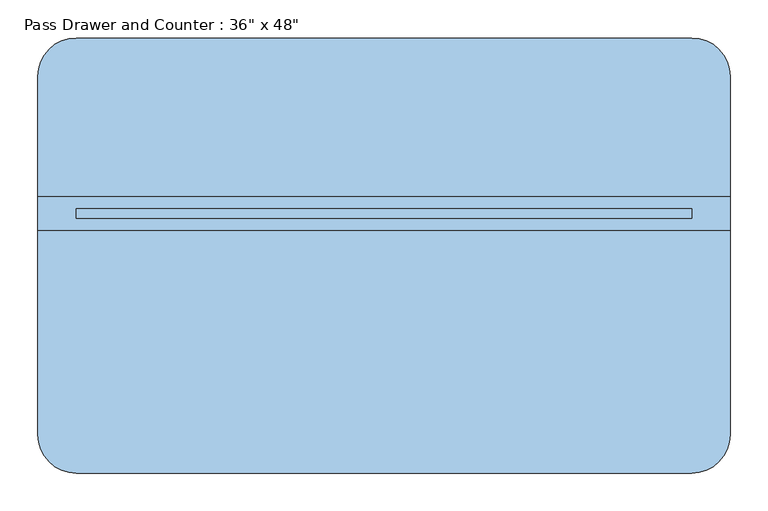
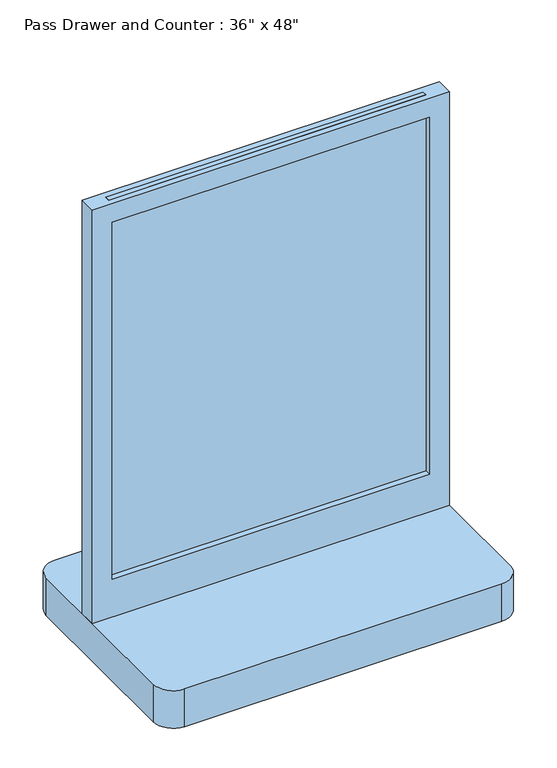
"""IFC4 building model written with IfcOpenShell, lengths in millimetres: window geometry."""

from ifc_helpers import new_model, si_unit, point, frame, frame_2d, origin, place, context, project, spatial, polyline, circle_curve, trimmed, segment, composite_curve, outline, extrude, source, transform, mapped, element, save


def window_59346c3e(model_context):
    return source(origin(), model_context, "Body", "SweptSolid", [
        extrude(outline(polyline([(368.3, 49.2125), (-444.5, 49.2125), (-444.5, 61.9125), (368.3, 61.9125), (368.3, 49.2125)])), frame((0.0, 0.0, 1016.0), z_axis=(0.0, 0.0, 1.0), x_axis=(1.0, 0.0, 0.0)), (0.0, 0.0, 1.0), 1016.0),
        extrude(outline(polyline([(2032.0, -495.3), (914.4, -495.3), (914.4, 419.1), (2032.0, 419.1), (2032.0, -495.3)]), holes=[polyline([(1981.2, -444.5), (1981.2, 368.3), (1016.0, 368.3), (1016.0, -444.5), (1981.2, -444.5)])]), frame((0.0, 33.3375, 0.0), z_axis=(0.0, 1.0, 0.0), x_axis=(0.0, 0.0, 1.0)), (0.0, 0.0, 1.0), 44.45),
        extrude(outline(composite_curve([segment(trimmed(circle_curve(frame_2d((368.3, 236.5375)), 50.8), [point((368.3, 287.3375))], [point((419.1, 236.5375))], False, "CARTESIAN"), True, "CONTINUOUS"), segment(polyline([(419.1, 236.5375), (419.1, -236.5375)]), True, "CONTINUOUS"), segment(trimmed(circle_curve(frame_2d((368.3, -236.5375)), 50.8), [point((419.1, -236.5375))], [point((368.3, -287.3375))], False, "CARTESIAN"), True, "CONTINUOUS"), segment(polyline([(368.3, -287.3375), (-444.5, -287.3375)]), True, "CONTINUOUS"), segment(trimmed(circle_curve(frame_2d((-444.5, -236.5375)), 50.8), [point((-444.5, -287.3375))], [point((-495.3, -236.5375))], False, "CARTESIAN"), True, "CONTINUOUS"), segment(polyline([(-495.3, -236.5375), (-495.3, 236.5375)]), True, "CONTINUOUS"), segment(trimmed(circle_curve(frame_2d((-444.5, 236.5375)), 50.8), [point((-495.3, 236.5375))], [point((-444.5, 287.3375))], False, "CARTESIAN"), True, "CONTINUOUS"), segment(polyline([(-444.5, 287.3375), (368.3, 287.3375)]), True, "CONTINUOUS")], self_intersect=False)), frame((0.0, 0.0, 812.8), z_axis=(0.0, 0.0, 1.0), x_axis=(1.0, 0.0, 0.0)), (0.0, 0.0, 1.0), 101.6),
    ])


if __name__ == "__main__":
    model = new_model("IFC4")
    model_context = context("Model", 3, world=origin())
    ifc_project = project(units=[si_unit("LENGTHUNIT", "METRE", prefix="MILLI")], contexts=[model_context])
    site = spatial("IfcSite", under=ifc_project)
    building = spatial("IfcBuilding", under=site)
    placement = place(None, origin())
    window_shape = window_59346c3e(model_context)
    element("IfcWindow", 1, ObjectType="Pass Drawer and Counter : 36\" x 48\"", at=placement, inside=building, context=model_context, shape_type="MappedRepresentation", body=[
        mapped(window_shape, transform((0.0, 0.0, 0.0), x_axis=(1.0, 0.0, 0.0), y_axis=(0.0, 1.0, 0.0), z_axis=(0.0, 0.0, 1.0))),
    ])
    save(model, "model.ifc")
